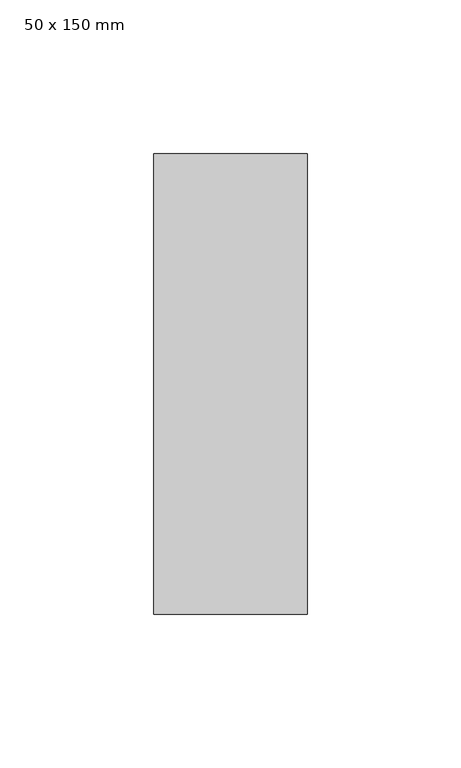
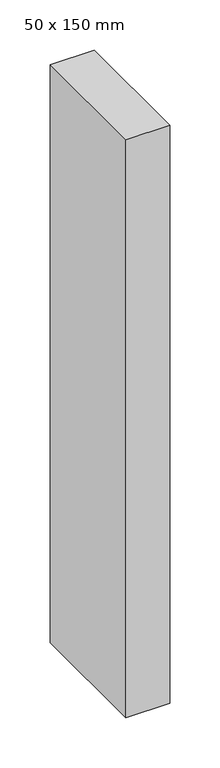
"""IFC4 building model written with IfcOpenShell, lengths in millimetres: member geometry, 50 x 150 mm."""

from ifc_helpers import new_model, si_unit, frame, origin, place, context, project, spatial, polyline, outline, extrude, source, transform, mapped, element, save


def member_50_x_150_mm_84253eda(model_context):
    return source(origin(), model_context, "Body", "SweptSolid", [
        extrude(outline(polyline([(25.0, 75.0), (25.0, -75.0), (-25.0, -75.0), (-25.0, 75.0), (25.0, 75.0)])), frame((0.0, 0.0, -700.0), z_axis=(0.0, 0.0, 1.0), x_axis=(1.0, 0.0, 0.0)), (0.0, 0.0, 1.0), 700.0),
    ])


if __name__ == "__main__":
    model = new_model("IFC4")
    model_context = context("Model", 3, world=origin())
    ifc_project = project(units=[si_unit("LENGTHUNIT", "METRE", prefix="MILLI")], contexts=[model_context])
    site = spatial("IfcSite", under=ifc_project)
    building = spatial("IfcBuilding", under=site)
    placement = place(None, origin())
    member_50_x_150_mm_shape = member_50_x_150_mm_84253eda(model_context)
    element("IfcMember", 1, ObjectType="50 x 150 mm", at=placement, inside=building, context=model_context, shape_type="MappedRepresentation", body=[
        mapped(member_50_x_150_mm_shape, transform((0.0, 0.0, 0.0), x_axis=(1.0, 0.0, 0.0), y_axis=(0.0, 1.0, 0.0), z_axis=(0.0, 0.0, 1.0))),
    ])
    save(model, "model.ifc")
